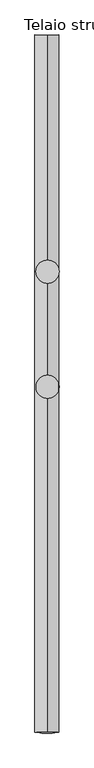
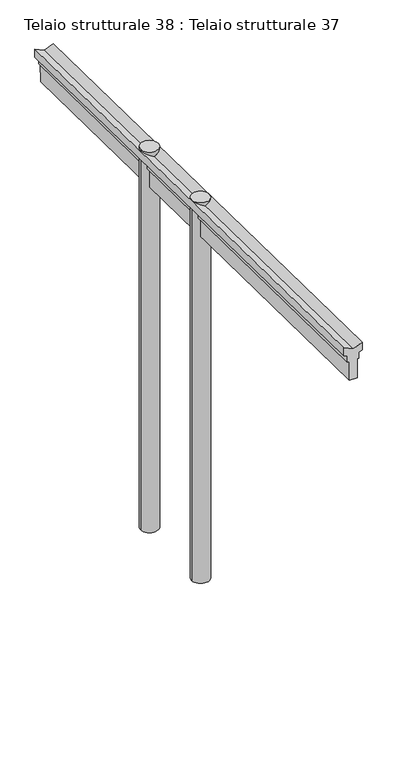
"""IFC4 building model written with IfcOpenShell, lengths in millimetres: beam geometry, Telaio strutturale 38 : Telaio strutturale 37."""

import ifcopenshell
import ifcopenshell.guid

model = None  # the IFC model being written
_history = None  # IfcOwnerHistory: only IFC2X3 demands one
_inside = {}  # id of a spatial element -> (the spatial element, [elements in it])
_under = {}  # id of a project, library or spatial element -> (it, [spatial elements below it])
_declared = {}  # id of a project -> (the project, [libraries it declares])
_typed = {}  # id of a type object -> (the type object, [elements of that type])
_made_of = {}  # id of a material, layer set ... -> (it, [elements and type objects made of it])


def new_model(schema):
    """Start an empty IFC model of exactly this schema.

    Asked for "IFC4X3", IfcOpenShell would pick the latest addendum, in which some entities
    have other attributes; the version numbers below select the first issue.
    IFC2X3 requires an IfcOwnerHistory on every rooted entity: one is made here for all.
    """
    global model, _history
    if schema == "IFC4X3":
        model = ifcopenshell.file(schema_version=(4, 3, 0, 0))
    else:
        model = ifcopenshell.file(schema=schema)
    _inside.clear()
    _under.clear()
    _declared.clear()
    _typed.clear()
    _made_of.clear()
    _history = None
    if model.schema == "IFC2X3":
        org = make("IfcOrganization", Name="unknown")
        user = make(
            "IfcPersonAndOrganization",
            ThePerson=make("IfcPerson", FamilyName="unknown"),
            TheOrganization=org,
        )
        app = make(
            "IfcApplication",
            ApplicationDeveloper=org,
            Version="unknown",
            ApplicationFullName="unknown",
            ApplicationIdentifier="unknown",
        )
        _history = make(
            "IfcOwnerHistory",
            OwningUser=user,
            OwningApplication=app,
            ChangeAction="ADDED",
            CreationDate=0,
        )
    return model


def make(cls, **values):
    """One entity of the class cls with the attributes given. An attribute that is None is left unset."""
    return model.create_entity(
        cls, **{name: value for name, value in values.items() if value is not None}
    )


def rooted(cls, **values):
    """An entity with a GlobalId (a new one), such as an element, a storey or a relation."""
    return make(cls, GlobalId=ifcopenshell.guid.new(), OwnerHistory=_history, **values)


def si_unit(unit_type, name, prefix=None):
    """IfcSIUnit, for example si_unit("LENGTHUNIT", "METRE", prefix="MILLI")."""
    return make("IfcSIUnit", UnitType=unit_type, Prefix=prefix, Name=name)


def assignment(units):
    """IfcUnitAssignment: the units of a project."""
    return None if units is None else make("IfcUnitAssignment", Units=units)


def point(xyz):
    """IfcCartesianPoint."""
    return None if xyz is None else make("IfcCartesianPoint", Coordinates=xyz)


def direction(xyz):
    """IfcDirection."""
    return None if xyz is None else make("IfcDirection", DirectionRatios=xyz)


def frame(location, z_axis=None, x_axis=None):
    """IfcAxis2Placement3D, a coordinate frame: its origin and axes. An axis left out is left unset."""
    return make(
        "IfcAxis2Placement3D",
        Location=point(location),
        Axis=direction(z_axis),
        RefDirection=direction(x_axis),
    )


def frame_2d(location, x_axis=None):
    """IfcAxis2Placement2D, a coordinate frame in the plane: its origin and x axis."""
    return make(
        "IfcAxis2Placement2D", Location=point(location), RefDirection=direction(x_axis)
    )


def origin():
    """The frame at (0, 0, 0) with its axes left unset."""
    return frame((0.0, 0.0, 0.0))


def place(relative_to, where):
    """IfcLocalPlacement: puts the frame where relative to a parent placement (None: the world)."""
    return make(
        "IfcLocalPlacement", PlacementRelTo=relative_to, RelativePlacement=where
    )


def context(
    kind, dimensions, precision=None, world=None, true_north=None, identifier=None
):
    """IfcGeometricRepresentationContext, for example the 3D "Model" context."""
    return make(
        "IfcGeometricRepresentationContext",
        ContextIdentifier=identifier,
        ContextType=kind,
        CoordinateSpaceDimension=dimensions,
        Precision=precision,
        WorldCoordinateSystem=world,
        TrueNorth=true_north,
    )


def project(units=None, contexts=None):
    """IfcProject with its units and contexts."""
    return rooted(
        "IfcProject",
        Name="project",
        RepresentationContexts=contexts,
        UnitsInContext=assignment(units),
    )


def spatial(cls, under=None, at=None, **own):
    """A site, building, storey or space (cls), placed at a placement, below another one or the project."""
    s = rooted(cls, ObjectPlacement=at, **own)
    if under is not None:
        _under.setdefault(under.id(), (under, []))[1].append(s)
    return s


def polyline(points):
    """IfcPolyline through the points."""
    return make("IfcPolyline", Points=[point(p) for p in points])


def circle_curve(where, radius):
    """IfcCircle in the frame where."""
    return make("IfcCircle", Position=where, Radius=radius)


def trimmed(basis, trim1, trim2, sense, master):
    """IfcTrimmedCurve: the piece of a basis curve between two trims."""
    return make(
        "IfcTrimmedCurve",
        BasisCurve=basis,
        Trim1=trim1,
        Trim2=trim2,
        SenseAgreement=sense,
        MasterRepresentation=master,
    )


def segment(curve, same_sense, transition):
    """IfcCompositeCurveSegment."""
    return make(
        "IfcCompositeCurveSegment",
        Transition=transition,
        SameSense=same_sense,
        ParentCurve=curve,
    )


def composite_curve(segments, self_intersect=None):
    """IfcCompositeCurve: segments joined end to end."""
    return make("IfcCompositeCurve", Segments=segments, SelfIntersect=self_intersect)


def outline(outer, holes=None, kind="AREA"):
    """IfcArbitraryClosedProfileDef: a profile drawn as a closed curve; with holes, ...WithVoids."""
    if holes is None:
        return make("IfcArbitraryClosedProfileDef", ProfileType=kind, OuterCurve=outer)
    return make(
        "IfcArbitraryProfileDefWithVoids",
        ProfileType=kind,
        OuterCurve=outer,
        InnerCurves=holes,
    )


def extrude(swept, where, along, depth):
    """IfcExtrudedAreaSolid: the profile swept, set in the frame where, extruded along a direction by depth."""
    return make(
        "IfcExtrudedAreaSolid",
        SweptArea=swept,
        Position=where,
        ExtrudedDirection=direction(along),
        Depth=depth,
    )


def shape(context_of_items, identifier, shape_type, items):
    """IfcShapeRepresentation: the items that make up one representation, for example the "Body"."""
    return make(
        "IfcShapeRepresentation",
        ContextOfItems=context_of_items,
        RepresentationIdentifier=identifier,
        RepresentationType=shape_type,
        Items=items,
    )


def source(mapping_origin, context_of_items, identifier, shape_type, items):
    """IfcRepresentationMap: a shape defined once, which mapped items show again and again."""
    return make(
        "IfcRepresentationMap",
        MappingOrigin=mapping_origin,
        MappedRepresentation=shape(context_of_items, identifier, shape_type, items),
    )


def transform(
    local_origin,
    x_axis=None,
    y_axis=None,
    z_axis=None,
    scale=None,
    scale2=None,
    scale3=None,
    uniform=True,
):
    """IfcCartesianTransformationOperator3D, or its non-uniform kind. x_axis, y_axis, z_axis: its Axis1, 2, 3."""
    if uniform:
        return make(
            "IfcCartesianTransformationOperator3D",
            Axis1=direction(x_axis),
            Axis2=direction(y_axis),
            LocalOrigin=point(local_origin),
            Scale=scale,
            Axis3=direction(z_axis),
        )
    return make(
        "IfcCartesianTransformationOperator3DnonUniform",
        Axis1=direction(x_axis),
        Axis2=direction(y_axis),
        LocalOrigin=point(local_origin),
        Scale=scale,
        Axis3=direction(z_axis),
        Scale2=scale2,
        Scale3=scale3,
    )


def mapped(mapping_source, mapping_target):
    """IfcMappedItem: shows the shape of a source again, moved by a transform."""
    return make(
        "IfcMappedItem", MappingSource=mapping_source, MappingTarget=mapping_target
    )


def made_of(thing, what):
    """Note that an element or type object is made of a material, layer set ...; save() writes the relation."""
    if what is not None:
        _made_of.setdefault(what.id(), (what, []))[1].append(thing)
    return thing


def element(
    cls,
    number,
    at=None,
    inside=None,
    cuts=None,
    type_object=None,
    material=None,
    context=None,
    identifier="Body",
    shape_type=None,
    held_by="IfcProductDefinitionShape",
    body=None,
    shapes=None,
    **own,
):
    """One element of the class cls, such as IfcWall. Its Tag is "e" and its number.

    at: its placement. inside: the storey or other place that contains it. cuts: it is an
    opening in that element (IfcRelVoidsElement). A single representation is given by context,
    identifier, shape_type and body (its items); several are given by shapes. held_by: the class
    of the entity that holds the representations. save() writes the other relations.
    """
    e = rooted(cls, Tag="e%d" % number, ObjectPlacement=at, **own)
    if body is not None:
        shapes = [shape(context, identifier, shape_type, body)]
    if shapes is not None:
        e.Representation = make(held_by, Representations=shapes)
    if inside is not None:
        _inside.setdefault(inside.id(), (inside, []))[1].append(e)
    if cuts is not None:
        rooted(
            "IfcRelVoidsElement", RelatingBuildingElement=cuts, RelatedOpeningElement=e
        )
    if type_object is not None:
        _typed.setdefault(type_object.id(), (type_object, []))[1].append(e)
    return made_of(e, material)


def aggregate(whole, parts):
    """IfcRelAggregates: a whole, such as a stair, and the parts it consists of."""
    return rooted("IfcRelAggregates", RelatingObject=whole, RelatedObjects=parts)


def save(model, path):
    """Write the relations noted so far, then the file.

    IfcRelAggregates (storeys below a building ...), IfcRelContainedInSpatialStructure (elements
    in a storey), IfcRelDefinesByType, IfcRelAssociatesMaterial and IfcRelDeclares: one each for
    every whole, place, type object, material and project.
    """
    for whole, parts in _under.values():
        aggregate(whole, parts)
    for where, things in _inside.values():
        rooted(
            "IfcRelContainedInSpatialStructure",
            RelatedElements=things,
            RelatingStructure=where,
        )
    for kind, things in _typed.values():
        rooted("IfcRelDefinesByType", RelatedObjects=things, RelatingType=kind)
    for what, things in _made_of.values():
        rooted("IfcRelAssociatesMaterial", RelatedObjects=things, RelatingMaterial=what)
    for by, libraries in _declared.values():
        rooted("IfcRelDeclares", RelatingContext=by, RelatedDefinitions=libraries)
    model.write(path)


def telaio_strutturale_38_telaio_strutturale_37_adb6bff4(model_context):
    return source(origin(), model_context, "Body", "SweptSolid", [
        extrude(outline(polyline([(55.0, 0.0), (90.6307787, 42.2618262), (110.3377919, 1e-07), (97.4462151, -15.290757), (112.2378542, -47.0115294), (103.1747764, -51.2377121), (149.6627852, -150.9315687), (108.8789348, -169.9493904), (62.390926, -70.2555339), (53.3278481, -74.4817165), (38.5362089, -42.7609439), (16.3319907, -42.7609439), (-3.607765, 0.0), (55.0, 0.0)])), frame((-70961.8049822, 99761.9096789, -177.6942678), z_axis=(2.3026510564431654e-06, -0.9998668847666168, 0.016316027145080132), x_axis=(0.9061884721947285, -0.006897537941151485, -0.4228177820666181)), (0.0, 0.0, 1.0), 3014.9581714),
        extrude(outline(composite_curve([segment(trimmed(circle_curve(frame_2d((-70910.5795273, 98738.9352677)), 50.0), [point((-70960.5795273, 98738.9352677))], [point((-70860.5795273, 98738.9352677))], False, "CARTESIAN"), True, "CONTINUOUS"), segment(trimmed(circle_curve(frame_2d((-70910.5795273, 98738.9352677)), 50.0), [point((-70860.5795273, 98738.9352677))], [point((-70960.5795273, 98738.9352677))], False, "CARTESIAN"), True, "CONTINUOUS")], self_intersect=False)), frame((0.0, 0.0, -2420.5), z_axis=(0.0, 0.0, 1.0), x_axis=(1.0, 0.0, 0.0)), (0.0, 0.0, 1.0), 2267.4013682),
        extrude(outline(composite_curve([segment(trimmed(circle_curve(frame_2d((-70910.5795273, 98240.2930077)), 50.0), [point((-70960.5795273, 98240.2930077))], [point((-70860.5795273, 98240.2930077))], False, "CARTESIAN"), True, "CONTINUOUS"), segment(trimmed(circle_curve(frame_2d((-70910.5795273, 98240.2930077)), 50.0), [point((-70860.5795273, 98240.2930077))], [point((-70960.5795273, 98240.2930077))], False, "CARTESIAN"), True, "CONTINUOUS")], self_intersect=False)), frame((0.0, 0.0, -2420.5), z_axis=(0.0, 0.0, 1.0), x_axis=(1.0, 0.0, 0.0)), (0.0, 0.0, 1.0), 2267.4013682),
    ])


if __name__ == "__main__":
    model = new_model("IFC4")
    model_context = context("Model", 3, world=origin())
    ifc_project = project(units=[si_unit("LENGTHUNIT", "METRE", prefix="MILLI")], contexts=[model_context])
    site = spatial("IfcSite", under=ifc_project)
    building = spatial("IfcBuilding", under=site)
    placement = place(None, origin())
    telaio_strutturale_38_telaio_strutturale_37_shape = telaio_strutturale_38_telaio_strutturale_37_adb6bff4(model_context)
    element("IfcBeam", 1, ObjectType="Telaio strutturale 38 : Telaio strutturale 37", at=placement, inside=building, context=model_context, shape_type="MappedRepresentation", body=[
        mapped(telaio_strutturale_38_telaio_strutturale_37_shape, transform((0.0, 0.0, 0.0), x_axis=(1.0, 0.0, 0.0), y_axis=(0.0, 1.0, 0.0), z_axis=(0.0, 0.0, 1.0))),
    ])
    save(model, "model.ifc")
